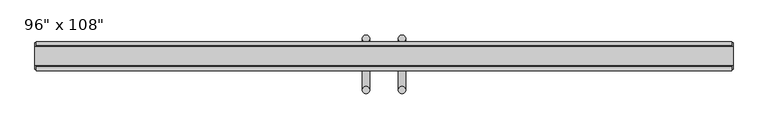
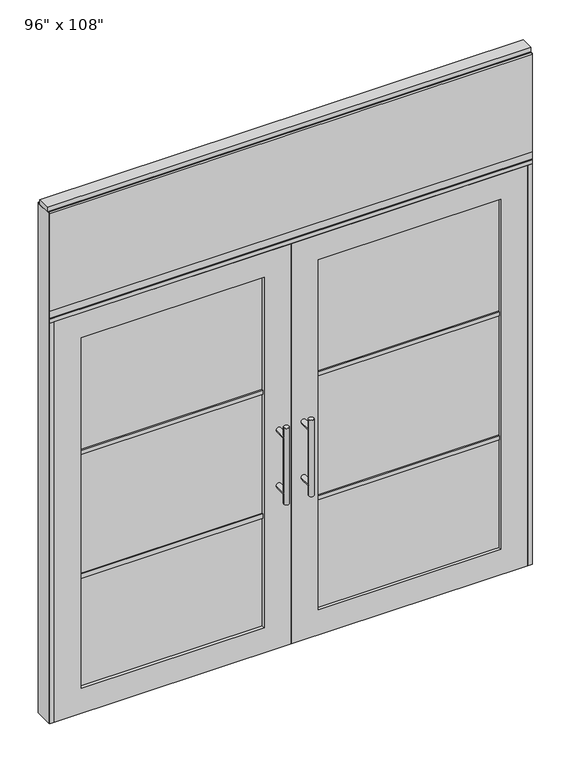
"""IFC4 building model written with IfcOpenShell, lengths in millimetres: furniture geometry."""

from ifc_helpers import new_model, si_unit, frame, origin, origin_with_axes, place, context, project, spatial, polyline, circle_curve, ellipse_curve, outline, extrude, source, transform, mapped, element, save
from ifc_brep_helpers import plane_surface, cylinder_surface, advanced_brep


def furniture_4ccda66d(model_context):
    return source(origin(), model_context, "Body", "SolidModel", [
        extrude(outline(polyline([(1155.2264771, 46.2822784), (1155.2264771, 33.5822784), (-1275.2995229, 33.5822784), (-1275.2995229, 46.2822784), (1155.2264771, 46.2822784)])), frame((0.0, 0.0, 2197.1), z_axis=(0.0, 0.0, 1.0), x_axis=(1.0, 0.0, 0.0)), (0.0, 0.0, 1.0), 520.7),
        extrude(outline(polyline([(1155.2264771, -55.3177216), (-1275.2995229, -55.3177216), (-1275.2995229, -42.6177216), (1155.2264771, -42.6177216), (1155.2264771, -55.3177216)])), frame((0.0, 0.0, 2197.1), z_axis=(0.0, 0.0, 1.0), x_axis=(1.0, 0.0, 0.0)), (0.0, 0.0, 1.0), 520.7),
        advanced_brep(
        [(-110.0745229, 56.6962784, 1219.2), (-135.4745229, 56.6962784, 1219.2), (-110.0745229, 56.6962784, 812.8), (-135.4745229, 56.6962784, 812.8), (-110.0745229, 56.6962784, 1164.336), (-110.0745229, 56.6962784, 867.664), (-135.4745229, 56.6962784, 867.664), (-135.4745229, 56.6962784, 1164.336), (-110.0745229, -10.8677216, 1164.336), (-135.4745229, -10.8677216, 1164.336), (-110.0745229, -10.8677216, 867.664), (-135.4745229, -10.8677216, 867.664)],
        [
            (0, 1, circle_curve(frame((-122.7745229, 56.6962784, 1219.2), z_axis=(0.0, 0.0, 1.0), x_axis=(-1.0, 0.0, 0.0)), 12.7)),
            (1, 0, circle_curve(frame((-122.7745229, 56.6962784, 1219.2), z_axis=(0.0, 0.0, 1.0), x_axis=(-1.0, 0.0, 0.0)), 12.7)),
            (2, 3, circle_curve(frame((-122.7745229, 56.6962784, 812.8), z_axis=(0.0, 0.0, -1.0), x_axis=(-1.0, 0.0, 0.0)), 12.7)),
            (3, 2, circle_curve(frame((-122.7745229, 56.6962784, 812.8), z_axis=(0.0, 0.0, -1.0), x_axis=(-1.0, 0.0, 0.0)), 12.7)),
            (0, 4),
            (4, 5),
            (5, 2),
            (3, 6),
            (6, 7),
            (7, 1),
            (7, 4, ellipse_curve(frame((-122.7745229, 56.6962784, 1164.336), z_axis=(0.0, 0.707106781186565, 0.70710678118653), x_axis=(0.0, -0.70710678118653, 0.707106781186565)), 17.9605122, 12.7)),
            (5, 6, ellipse_curve(frame((-122.7745229, 56.6962784, 867.664), z_axis=(0.0, 0.70710678118653, -0.7071067811865649), x_axis=(0.0, 0.7071067811865648, 0.7071067811865301)), 17.9605122, 12.7)),
            (4, 7, ellipse_curve(frame((-122.7745229, 56.6962784, 1164.336), z_axis=(0.0, 0.70710678118653, -0.7071067811865649), x_axis=(0.0, 0.7071067811865648, 0.7071067811865301)), 17.9605122, 12.7)),
            (6, 5, ellipse_curve(frame((-122.7745229, 56.6962784, 867.664), z_axis=(0.0, 0.707106781186565, 0.70710678118653), x_axis=(0.0, -0.70710678118653, 0.707106781186565)), 17.9605122, 12.7)),
            (8, 9, circle_curve(frame((-122.7745229, -10.8677216, 1164.336), z_axis=(0.0, -1.0, 0.0), x_axis=(-1.0, 0.0, 0.0)), 12.7)),
            (9, 8, circle_curve(frame((-122.7745229, -10.8677216, 1164.336), z_axis=(0.0, -1.0, 0.0), x_axis=(-1.0, 0.0, 0.0)), 12.7)),
            (9, 7),
            (4, 8),
            (10, 11, circle_curve(frame((-122.7745229, -10.8677216, 867.664), z_axis=(0.0, -1.0, 0.0), x_axis=(-1.0, 0.0, 0.0)), 12.7)),
            (11, 10, circle_curve(frame((-122.7745229, -10.8677216, 867.664), z_axis=(0.0, -1.0, 0.0), x_axis=(-1.0, 0.0, 0.0)), 12.7)),
            (11, 6),
            (5, 10),
        ],
        [
            plane_surface(frame((-135.4745229, 56.6962784, 1219.2), z_axis=(0.0, 0.0, 1.0), x_axis=(0.0, -1.0, 0.0))),
            plane_surface(frame((-135.4745229, 56.6962784, 812.8), z_axis=(0.0, 0.0, -1.0), x_axis=(0.0, 1.0, 0.0))),
            cylinder_surface(frame((-122.7745229, 56.6962784, 812.8), z_axis=(0.0, 0.0, 1.0), x_axis=(-1.0, 0.0, 0.0)), 12.7),
            plane_surface(frame((-135.4745229, -10.8677216, 1164.336), z_axis=(0.0, -1.0, 0.0), x_axis=(0.0, 0.0, -1.0))),
            cylinder_surface(frame((-122.7745229, -10.8677216, 1164.336), z_axis=(0.0, 1.0, 0.0), x_axis=(-1.0, 0.0, 0.0)), 12.7),
            plane_surface(frame((-135.4745229, -10.8677216, 867.664), z_axis=(0.0, -1.0, 0.0), x_axis=(0.0, 0.0, -1.0))),
            cylinder_surface(frame((-122.7745229, -10.8677216, 867.664), z_axis=(0.0, 1.0, 0.0), x_axis=(-1.0, 0.0, 0.0)), 12.7),
        ],
        [
            (0, [[1, 2]]),
            (1, [[3, 4]]),
            (2, [[-1, 5, 6, 7, -4, 8, 9, 10]]),
            (2, [[-2, -10, 11, -5]]),
            (2, [[-3, -7, 12, -8]]),
            (2, [[13, -9, 14, -6]]),
            (3, [[15, 16]]),
            (4, [[-16, 17, -13, 18]]),
            (4, [[-15, -18, -11, -17]]),
            (5, [[19, 20]]),
            (6, [[-20, 21, -12, 22]]),
            (6, [[-19, -22, -14, -21]]),
        ],
    ),
        advanced_brep(
        [(-110.0745229, -122.8817216, 1219.2), (-135.4745229, -122.8817216, 1219.2), (-110.0745229, -122.8817216, 812.8), (-135.4745229, -122.8817216, 812.8), (-135.4745229, -122.8817216, 1164.336), (-135.4745229, -122.8817216, 867.664), (-110.0745229, -122.8817216, 867.664), (-110.0745229, -122.8817216, 1164.336), (-110.0745229, -55.3177216, 1164.336), (-135.4745229, -55.3177216, 1164.336), (-110.0745229, -55.3177216, 867.664), (-135.4745229, -55.3177216, 867.664)],
        [
            (0, 1, circle_curve(frame((-122.7745229, -122.8817216, 1219.2), z_axis=(0.0, 0.0, 1.0), x_axis=(-1.0, 0.0, 0.0)), 12.7)),
            (1, 0, circle_curve(frame((-122.7745229, -122.8817216, 1219.2), z_axis=(0.0, 0.0, 1.0), x_axis=(-1.0, 0.0, 0.0)), 12.7)),
            (2, 3, circle_curve(frame((-122.7745229, -122.8817216, 812.8), z_axis=(0.0, 0.0, -1.0), x_axis=(-1.0, 0.0, 0.0)), 12.7)),
            (3, 2, circle_curve(frame((-122.7745229, -122.8817216, 812.8), z_axis=(0.0, 0.0, -1.0), x_axis=(-1.0, 0.0, 0.0)), 12.7)),
            (1, 4),
            (4, 5),
            (5, 3),
            (2, 6),
            (6, 7),
            (7, 0),
            (6, 5, ellipse_curve(frame((-122.7745229, -122.8817216, 867.664), z_axis=(0.0, -0.707106781186565, 0.70710678118653), x_axis=(0.0, 0.70710678118653, 0.707106781186565)), 17.9605122, 12.7)),
            (4, 7, ellipse_curve(frame((-122.7745229, -122.8817216, 1164.336), z_axis=(0.0, -0.70710678118653, -0.7071067811865649), x_axis=(0.0, -0.7071067811865648, 0.7071067811865301)), 17.9605122, 12.7)),
            (7, 4, ellipse_curve(frame((-122.7745229, -122.8817216, 1164.336), z_axis=(0.0, -0.707106781186565, 0.70710678118653), x_axis=(0.0, 0.70710678118653, 0.707106781186565)), 17.9605122, 12.7)),
            (5, 6, ellipse_curve(frame((-122.7745229, -122.8817216, 867.664), z_axis=(0.0, -0.70710678118653, -0.7071067811865649), x_axis=(0.0, -0.7071067811865648, 0.7071067811865301)), 17.9605122, 12.7)),
            (8, 9, circle_curve(frame((-122.7745229, -55.3177216, 1164.336), z_axis=(0.0, 1.0, 0.0), x_axis=(-1.0, 0.0, 0.0)), 12.7)),
            (9, 8, circle_curve(frame((-122.7745229, -55.3177216, 1164.336), z_axis=(0.0, 1.0, 0.0), x_axis=(-1.0, 0.0, 0.0)), 12.7)),
            (8, 7),
            (4, 9),
            (10, 11, circle_curve(frame((-122.7745229, -55.3177216, 867.664), z_axis=(0.0, 1.0, 0.0), x_axis=(-1.0, 0.0, 0.0)), 12.7)),
            (11, 10, circle_curve(frame((-122.7745229, -55.3177216, 867.664), z_axis=(0.0, 1.0, 0.0), x_axis=(-1.0, 0.0, 0.0)), 12.7)),
            (10, 6),
            (5, 11),
        ],
        [
            plane_surface(frame((-135.4745229, -122.8817216, 1219.2), z_axis=(0.0, 0.0, 1.0), x_axis=(0.0, 1.0, 0.0))),
            plane_surface(frame((-135.4745229, -122.8817216, 812.8), z_axis=(0.0, 0.0, -1.0), x_axis=(0.0, -1.0, 0.0))),
            cylinder_surface(frame((-122.7745229, -122.8817216, 812.8), z_axis=(0.0, 0.0, 1.0), x_axis=(-1.0, 0.0, 0.0)), 12.7),
            plane_surface(frame((-135.4745229, -55.3177216, 1164.336), z_axis=(0.0, 1.0, 0.0), x_axis=(0.0, 0.0, -1.0))),
            cylinder_surface(frame((-122.7745229, -55.3177216, 1164.336), z_axis=(0.0, -1.0, 0.0), x_axis=(-1.0, 0.0, 0.0)), 12.7),
            plane_surface(frame((-135.4745229, -55.3177216, 867.664), z_axis=(0.0, 1.0, 0.0), x_axis=(0.0, 0.0, -1.0))),
            cylinder_surface(frame((-122.7745229, -55.3177216, 867.664), z_axis=(0.0, -1.0, 0.0), x_axis=(-1.0, 0.0, 0.0)), 12.7),
        ],
        [
            (0, [[1, 2]]),
            (1, [[3, 4]]),
            (2, [[5, 6, 7, -3, 8, 9, 10, -2]]),
            (2, [[-9, 11, -6, 12]]),
            (2, [[-10, 13, -5, -1]]),
            (2, [[-7, 14, -8, -4]]),
            (3, [[15, 16]]),
            (4, [[17, -12, 18, -15]]),
            (4, [[-18, -13, -17, -16]]),
            (5, [[19, 20]]),
            (6, [[21, -14, 22, -19]]),
            (6, [[-22, -11, -21, -20]]),
        ],
    ),
        extrude(outline(polyline([(-196.0535229, -44.2052216), (-1117.0575229, -44.2052216), (-1117.0575229, -21.9802216), (-196.0535229, -21.9802216), (-196.0535229, -44.2052216)])), frame((0.0, 0.0, 1371.6), z_axis=(0.0, 0.0, 1.0), x_axis=(1.0, 0.0, 0.0)), (0.0, 0.0, 1.0), 22.225),
        extrude(outline(polyline([(-196.0535229, -44.2052216), (-1117.0575229, -44.2052216), (-1117.0575229, -21.9802216), (-196.0535229, -21.9802216), (-196.0535229, -44.2052216)])), frame((0.0, 0.0, 711.2), z_axis=(0.0, 0.0, 1.0), x_axis=(1.0, 0.0, 0.0)), (0.0, 0.0, 1.0), 22.225),
        extrude(outline(polyline([(-1117.0575229, -38.1727216), (-1117.0575229, -28.0127216), (-196.0535229, -28.0127216), (-196.0535229, -38.1727216), (-1117.0575229, -38.1727216)])), frame((0.0, 0.0, 132.969), z_axis=(0.0, 0.0, 1.0), x_axis=(1.0, 0.0, 0.0)), (0.0, 0.0, 1.0), 1867.662),
        extrude(outline(polyline([(2133.6, -1253.0745229), (0.0, -1253.0745229), (0.0, -60.0365229), (2133.6, -60.0365229), (2133.6, -1253.0745229)]), holes=[polyline([(2000.631, -1117.0575229), (2000.631, -196.0535229), (132.969, -196.0535229), (132.969, -1117.0575229), (2000.631, -1117.0575229)])]), frame((0.0, -55.3177216, 0.0), z_axis=(0.0, 1.0, 0.0), x_axis=(0.0, 0.0, 1.0)), (0.0, 0.0, 1.0), 44.45),
        advanced_brep(
        [(-9.9985229, 56.6962784, 1219.2), (15.4014771, 56.6962784, 1219.2), (-9.9985229, 56.6962784, 812.8), (15.4014771, 56.6962784, 812.8), (15.4014771, 56.6962784, 1164.336), (15.4014771, 56.6962784, 867.664), (-9.9985229, 56.6962784, 867.664), (-9.9985229, 56.6962784, 1164.336), (-9.9985229, -10.8677216, 1164.336), (15.4014771, -10.8677216, 1164.336), (-9.9985229, -10.8677216, 867.664), (15.4014771, -10.8677216, 867.664)],
        [
            (0, 1, circle_curve(frame((2.7014771, 56.6962784, 1219.2), z_axis=(0.0, 0.0, 1.0), x_axis=(1.0, 0.0, 0.0)), 12.7)),
            (1, 0, circle_curve(frame((2.7014771, 56.6962784, 1219.2), z_axis=(0.0, 0.0, 1.0), x_axis=(1.0, 0.0, 0.0)), 12.7)),
            (2, 3, circle_curve(frame((2.7014771, 56.6962784, 812.8), z_axis=(0.0, 0.0, -1.0), x_axis=(1.0, 0.0, 0.0)), 12.7)),
            (3, 2, circle_curve(frame((2.7014771, 56.6962784, 812.8), z_axis=(0.0, 0.0, -1.0), x_axis=(1.0, 0.0, 0.0)), 12.7)),
            (1, 4),
            (4, 5),
            (5, 3),
            (2, 6),
            (6, 7),
            (7, 0),
            (6, 5, ellipse_curve(frame((2.7014771, 56.6962784, 867.664), z_axis=(0.0, 0.707106781186565, 0.70710678118653), x_axis=(0.0, -0.70710678118653, 0.707106781186565)), 17.9605122, 12.7)),
            (4, 7, ellipse_curve(frame((2.7014771, 56.6962784, 1164.336), z_axis=(0.0, 0.70710678118653, -0.7071067811865649), x_axis=(0.0, 0.7071067811865648, 0.7071067811865301)), 17.9605122, 12.7)),
            (7, 4, ellipse_curve(frame((2.7014771, 56.6962784, 1164.336), z_axis=(0.0, 0.707106781186565, 0.70710678118653), x_axis=(0.0, -0.70710678118653, 0.707106781186565)), 17.9605122, 12.7)),
            (5, 6, ellipse_curve(frame((2.7014771, 56.6962784, 867.664), z_axis=(0.0, 0.70710678118653, -0.7071067811865649), x_axis=(0.0, 0.7071067811865648, 0.7071067811865301)), 17.9605122, 12.7)),
            (8, 9, circle_curve(frame((2.7014771, -10.8677216, 1164.336), z_axis=(0.0, -1.0, 0.0), x_axis=(1.0, 0.0, 0.0)), 12.7)),
            (9, 8, circle_curve(frame((2.7014771, -10.8677216, 1164.336), z_axis=(0.0, -1.0, 0.0), x_axis=(1.0, 0.0, 0.0)), 12.7)),
            (8, 7),
            (4, 9),
            (10, 11, circle_curve(frame((2.7014771, -10.8677216, 867.664), z_axis=(0.0, -1.0, 0.0), x_axis=(1.0, 0.0, 0.0)), 12.7)),
            (11, 10, circle_curve(frame((2.7014771, -10.8677216, 867.664), z_axis=(0.0, -1.0, 0.0), x_axis=(1.0, 0.0, 0.0)), 12.7)),
            (10, 6),
            (5, 11),
        ],
        [
            plane_surface(frame((15.4014771, 56.6962784, 1219.2), z_axis=(0.0, 0.0, 1.0), x_axis=(0.0, -1.0, 0.0))),
            plane_surface(frame((15.4014771, 56.6962784, 812.8), z_axis=(0.0, 0.0, -1.0), x_axis=(0.0, 1.0, 0.0))),
            cylinder_surface(frame((2.7014771, 56.6962784, 812.8), z_axis=(0.0, 0.0, 1.0), x_axis=(1.0, 0.0, 0.0)), 12.7),
            plane_surface(frame((15.4014771, -10.8677216, 1164.336), z_axis=(0.0, -1.0, 0.0), x_axis=(0.0, 0.0, -1.0))),
            cylinder_surface(frame((2.7014771, -10.8677216, 1164.336), z_axis=(0.0, 1.0, 0.0), x_axis=(1.0, 0.0, 0.0)), 12.7),
            plane_surface(frame((15.4014771, -10.8677216, 867.664), z_axis=(0.0, -1.0, 0.0), x_axis=(0.0, 0.0, -1.0))),
            cylinder_surface(frame((2.7014771, -10.8677216, 867.664), z_axis=(0.0, 1.0, 0.0), x_axis=(1.0, 0.0, 0.0)), 12.7),
        ],
        [
            (0, [[1, 2]]),
            (1, [[3, 4]]),
            (2, [[5, 6, 7, -3, 8, 9, 10, -2]]),
            (2, [[-9, 11, -6, 12]]),
            (2, [[-10, 13, -5, -1]]),
            (2, [[-7, 14, -8, -4]]),
            (3, [[15, 16]]),
            (4, [[17, -12, 18, -15]]),
            (4, [[-18, -13, -17, -16]]),
            (5, [[19, 20]]),
            (6, [[21, -14, 22, -19]]),
            (6, [[-22, -11, -21, -20]]),
        ],
    ),
        advanced_brep(
        [(-9.9985229, -122.8817216, 1219.2), (15.4014771, -122.8817216, 1219.2), (-9.9985229, -122.8817216, 812.8), (15.4014771, -122.8817216, 812.8), (-9.9985229, -122.8817216, 1164.336), (-9.9985229, -122.8817216, 867.664), (15.4014771, -122.8817216, 867.664), (15.4014771, -122.8817216, 1164.336), (-9.9985229, -55.3177216, 1164.336), (15.4014771, -55.3177216, 1164.336), (-9.9985229, -55.3177216, 867.664), (15.4014771, -55.3177216, 867.664)],
        [
            (0, 1, circle_curve(frame((2.7014771, -122.8817216, 1219.2), z_axis=(0.0, 0.0, 1.0), x_axis=(1.0, 0.0, 0.0)), 12.7)),
            (1, 0, circle_curve(frame((2.7014771, -122.8817216, 1219.2), z_axis=(0.0, 0.0, 1.0), x_axis=(1.0, 0.0, 0.0)), 12.7)),
            (2, 3, circle_curve(frame((2.7014771, -122.8817216, 812.8), z_axis=(0.0, 0.0, -1.0), x_axis=(1.0, 0.0, 0.0)), 12.7)),
            (3, 2, circle_curve(frame((2.7014771, -122.8817216, 812.8), z_axis=(0.0, 0.0, -1.0), x_axis=(1.0, 0.0, 0.0)), 12.7)),
            (0, 4),
            (4, 5),
            (5, 2),
            (3, 6),
            (6, 7),
            (7, 1),
            (7, 4, ellipse_curve(frame((2.7014771, -122.8817216, 1164.336), z_axis=(0.0, -0.707106781186565, 0.70710678118653), x_axis=(0.0, 0.70710678118653, 0.707106781186565)), 17.9605122, 12.7)),
            (5, 6, ellipse_curve(frame((2.7014771, -122.8817216, 867.664), z_axis=(0.0, -0.70710678118653, -0.7071067811865649), x_axis=(0.0, -0.7071067811865648, 0.7071067811865301)), 17.9605122, 12.7)),
            (4, 7, ellipse_curve(frame((2.7014771, -122.8817216, 1164.336), z_axis=(0.0, -0.70710678118653, -0.7071067811865649), x_axis=(0.0, -0.7071067811865648, 0.7071067811865301)), 17.9605122, 12.7)),
            (6, 5, ellipse_curve(frame((2.7014771, -122.8817216, 867.664), z_axis=(0.0, -0.707106781186565, 0.70710678118653), x_axis=(0.0, 0.70710678118653, 0.707106781186565)), 17.9605122, 12.7)),
            (8, 9, circle_curve(frame((2.7014771, -55.3177216, 1164.336), z_axis=(0.0, 1.0, 0.0), x_axis=(1.0, 0.0, 0.0)), 12.7)),
            (9, 8, circle_curve(frame((2.7014771, -55.3177216, 1164.336), z_axis=(0.0, 1.0, 0.0), x_axis=(1.0, 0.0, 0.0)), 12.7)),
            (9, 7),
            (4, 8),
            (10, 11, circle_curve(frame((2.7014771, -55.3177216, 867.664), z_axis=(0.0, 1.0, 0.0), x_axis=(1.0, 0.0, 0.0)), 12.7)),
            (11, 10, circle_curve(frame((2.7014771, -55.3177216, 867.664), z_axis=(0.0, 1.0, 0.0), x_axis=(1.0, 0.0, 0.0)), 12.7)),
            (11, 6),
            (5, 10),
        ],
        [
            plane_surface(frame((15.4014771, -122.8817216, 1219.2), z_axis=(0.0, 0.0, 1.0), x_axis=(0.0, 1.0, 0.0))),
            plane_surface(frame((15.4014771, -122.8817216, 812.8), z_axis=(0.0, 0.0, -1.0), x_axis=(0.0, -1.0, 0.0))),
            cylinder_surface(frame((2.7014771, -122.8817216, 812.8), z_axis=(0.0, 0.0, 1.0), x_axis=(1.0, 0.0, 0.0)), 12.7),
            plane_surface(frame((15.4014771, -55.3177216, 1164.336), z_axis=(0.0, 1.0, 0.0), x_axis=(0.0, 0.0, -1.0))),
            cylinder_surface(frame((2.7014771, -55.3177216, 1164.336), z_axis=(0.0, -1.0, 0.0), x_axis=(1.0, 0.0, 0.0)), 12.7),
            plane_surface(frame((15.4014771, -55.3177216, 867.664), z_axis=(0.0, 1.0, 0.0), x_axis=(0.0, 0.0, -1.0))),
            cylinder_surface(frame((2.7014771, -55.3177216, 867.664), z_axis=(0.0, -1.0, 0.0), x_axis=(1.0, 0.0, 0.0)), 12.7),
        ],
        [
            (0, [[1, 2]]),
            (1, [[3, 4]]),
            (2, [[-1, 5, 6, 7, -4, 8, 9, 10]]),
            (2, [[-2, -10, 11, -5]]),
            (2, [[-3, -7, 12, -8]]),
            (2, [[13, -9, 14, -6]]),
            (3, [[15, 16]]),
            (4, [[-16, 17, -13, 18]]),
            (4, [[-15, -18, -11, -17]]),
            (5, [[19, 20]]),
            (6, [[-20, 21, -12, 22]]),
            (6, [[-19, -22, -14, -21]]),
        ],
    ),
        extrude(outline(polyline([(75.9804771, -44.2052216), (75.9804771, -21.9802216), (996.9844771, -21.9802216), (996.9844771, -44.2052216), (75.9804771, -44.2052216)])), frame((0.0, 0.0, 1371.6), z_axis=(0.0, 0.0, 1.0), x_axis=(1.0, 0.0, 0.0)), (0.0, 0.0, 1.0), 22.225),
        extrude(outline(polyline([(75.9804771, -44.2052216), (75.9804771, -21.9802216), (996.9844771, -21.9802216), (996.9844771, -44.2052216), (75.9804771, -44.2052216)])), frame((0.0, 0.0, 711.2), z_axis=(0.0, 0.0, 1.0), x_axis=(1.0, 0.0, 0.0)), (0.0, 0.0, 1.0), 22.225),
        extrude(outline(polyline([(996.9844771, -38.1727216), (75.9804771, -38.1727216), (75.9804771, -28.0127216), (996.9844771, -28.0127216), (996.9844771, -38.1727216)])), frame((0.0, 0.0, 132.969), z_axis=(0.0, 0.0, 1.0), x_axis=(1.0, 0.0, 0.0)), (0.0, 0.0, 1.0), 1867.662),
        extrude(outline(polyline([(2133.6, 1133.0014771), (2133.6, -60.0365229), (0.0, -60.0365229), (0.0, 1133.0014771), (2133.6, 1133.0014771)]), holes=[polyline([(2000.631, 996.9844771), (132.969, 996.9844771), (132.969, 75.9804771), (2000.631, 75.9804771), (2000.631, 996.9844771)])]), frame((0.0, -55.3177216, 0.0), z_axis=(0.0, 1.0, 0.0), x_axis=(0.0, 0.0, 1.0)), (0.0, 0.0, 1.0), 44.45),
        extrude(outline(polyline([(-42.6177216, 2681.478), (-42.6177216, 2717.8), (33.5822784, 2717.8), (33.5822784, 2681.478), (28.6292784, 2681.478), (28.6292784, 2676.525), (-37.6647216, 2676.525), (-37.6647216, 2681.478), (-42.6177216, 2681.478)])), frame((-1275.2995229, 0.0, 0.0), z_axis=(1.0, 0.0, 0.0), x_axis=(0.0, 1.0, 0.0)), (0.0, 0.0, 1.0), 2430.526),
        extrude(outline(polyline([(-1275.2995229, -55.3177216), (-1275.2995229, 46.2822784), (1155.2264771, 46.2822784), (1155.2264771, -55.3177216), (-1275.2995229, -55.3177216)])), frame((0.0, 0.0, 2133.6), z_axis=(0.0, 0.0, 1.0), x_axis=(1.0, 0.0, 0.0)), (0.0, 0.0, 1.0), 22.225),
        extrude(outline(polyline([(-55.3177216, 2160.778), (-55.3177216, 2197.1), (46.2822784, 2197.1), (46.2822784, 2160.778), (41.3292784, 2160.778), (41.3292784, 2155.825), (-50.3647216, 2155.825), (-50.3647216, 2160.778), (-55.3177216, 2160.778)])), frame((-1275.2995229, 0.0, 0.0), z_axis=(1.0, 0.0, 0.0), x_axis=(0.0, 1.0, 0.0)), (0.0, 0.0, 1.0), 2430.526),
        extrude(outline(polyline([(1159.1634771, -50.3647216), (1155.2264771, -50.3647216), (1155.2264771, 41.3292784), (1159.1634771, 41.3292784), (1159.1634771, -50.3647216)])), origin_with_axes(), (0.0, 0.0, 1.0), 2717.8),
        extrude(outline(polyline([(-1279.2365229, -50.3647216), (-1279.2365229, 41.3292784), (-1275.2995229, 41.3292784), (-1275.2995229, -50.3647216), (-1279.2365229, -50.3647216)])), origin_with_axes(), (0.0, 0.0, 1.0), 2717.8),
        extrude(outline(polyline([(1133.0014771, -55.3177216), (1133.0014771, 46.2822784), (1155.2264771, 46.2822784), (1155.2264771, -55.3177216), (1133.0014771, -55.3177216)])), origin_with_axes(), (0.0, 0.0, 1.0), 2133.6),
        extrude(outline(polyline([(-1253.0745229, -55.3177216), (-1275.2995229, -55.3177216), (-1275.2995229, 46.2822784), (-1253.0745229, 46.2822784), (-1253.0745229, -55.3177216)])), origin_with_axes(), (0.0, 0.0, 1.0), 2133.6),
        extrude(outline(polyline([(-1279.2365229, -37.0297216), (-1279.2365229, 27.9942784), (1159.1634771, 27.9942784), (1159.1634771, -37.0297216), (-1279.2365229, -37.0297216)])), frame((0.0, 0.0, 2717.8), z_axis=(0.0, 0.0, 1.0), x_axis=(1.0, 0.0, 0.0)), (0.0, 0.0, 1.0), 25.4),
    ])


if __name__ == "__main__":
    model = new_model("IFC4")
    model_context = context("Model", 3, world=origin())
    ifc_project = project(units=[si_unit("LENGTHUNIT", "METRE", prefix="MILLI")], contexts=[model_context])
    site = spatial("IfcSite", under=ifc_project)
    building = spatial("IfcBuilding", under=site)
    placement = place(None, origin())
    furniture_shape = furniture_4ccda66d(model_context)
    element("IfcFurniture", 1, ObjectType="96\" x 108\"", at=placement, inside=building, context=model_context, shape_type="MappedRepresentation", body=[
        mapped(furniture_shape, transform((0.0, 0.0, 0.0), x_axis=(1.0, 0.0, 0.0), y_axis=(0.0, 1.0, 0.0), z_axis=(0.0, 0.0, 1.0))),
    ])
    save(model, "model.ifc")
